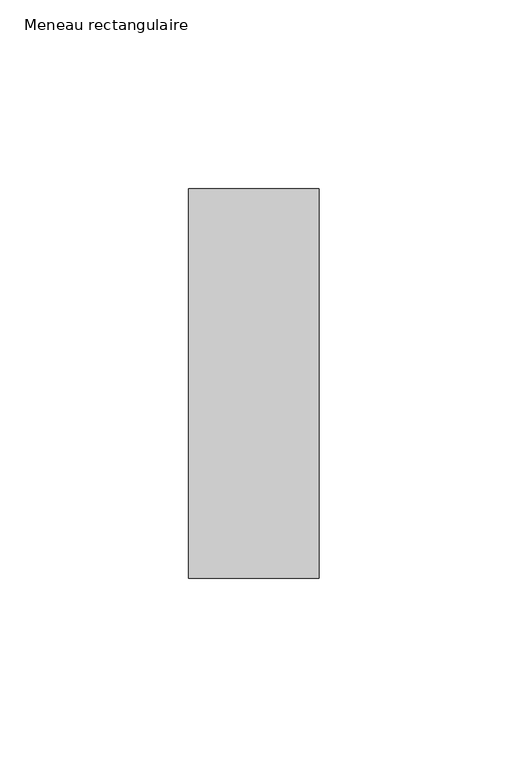
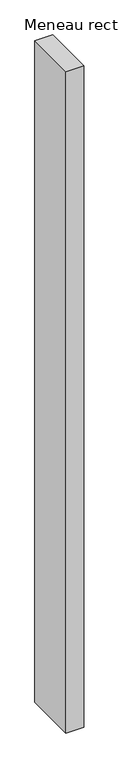
"""IFC4 building model written with IfcOpenShell, lengths in millimetres: member geometry, Meneau rectangulaire."""

from ifc_helpers import new_model, si_unit, frame, origin, place, context, project, spatial, polyline, outline, extrude, source, transform, mapped, element, save


def meneau_rectangulaire_9ad7e88a(model_context):
    return source(origin(), model_context, "Body", "SweptSolid", [
        extrude(outline(polyline([(-34.5, 51.5), (0.0, 51.5), (0.0, -51.5), (-34.5, -51.5), (-34.5, 51.5)])), frame((0.0, 0.0, -1341.6666669), z_axis=(0.0, 0.0, 1.0), x_axis=(1.0, 0.0, 0.0)), (0.0, 0.0, 1.0), 1341.6666669),
    ])


if __name__ == "__main__":
    model = new_model("IFC4")
    model_context = context("Model", 3, world=origin())
    ifc_project = project(units=[si_unit("LENGTHUNIT", "METRE", prefix="MILLI")], contexts=[model_context])
    site = spatial("IfcSite", under=ifc_project)
    building = spatial("IfcBuilding", under=site)
    placement = place(None, origin())
    meneau_rectangulaire_shape = meneau_rectangulaire_9ad7e88a(model_context)
    element("IfcMember", 1, ObjectType="Meneau rectangulaire", at=placement, inside=building, context=model_context, shape_type="MappedRepresentation", body=[
        mapped(meneau_rectangulaire_shape, transform((0.0, 0.0, 0.0), x_axis=(1.0, 0.0, 0.0), y_axis=(0.0, 1.0, 0.0), z_axis=(0.0, 0.0, 1.0))),
    ])
    save(model, "model.ifc")
